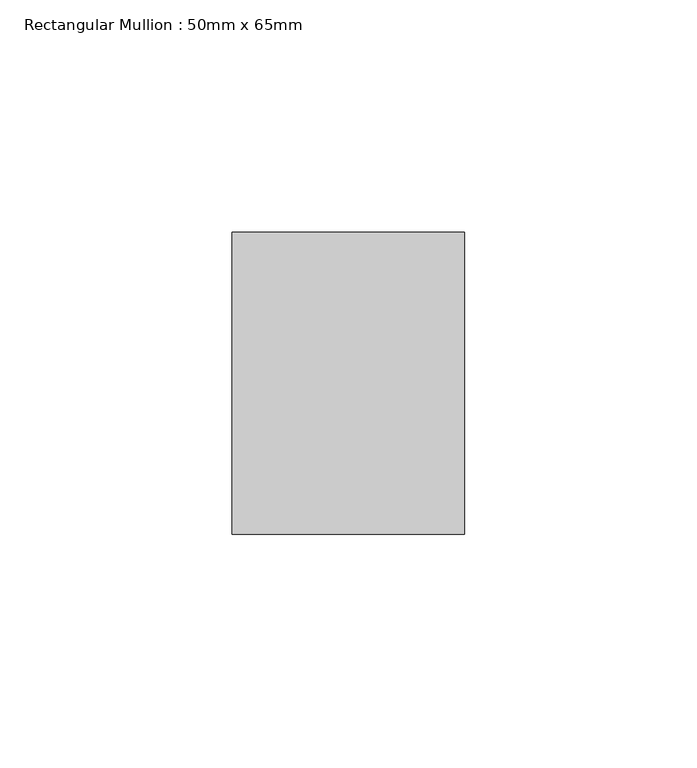
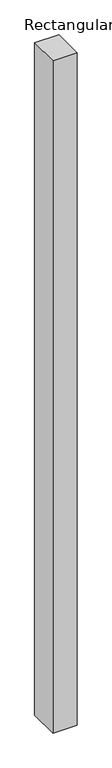
"""IFC4 building model written with IfcOpenShell, lengths in millimetres: member geometry, Rectangular Mullion : 50mm x 65mm."""

from ifc_helpers import new_model, si_unit, frame, origin, place, context, project, spatial, polyline, outline, extrude, source, transform, mapped, element, save


def rectangular_mullion_50mm_x_65mm_36b65bdf(model_context):
    return source(origin(), model_context, "Body", "SweptSolid", [
        extrude(outline(polyline([(25.0, 32.5), (25.0, -32.5), (-25.0, -32.5), (-25.0, 32.5), (25.0, 32.5)])), frame((0.0, 0.0, -1473.7160339), z_axis=(0.0, 0.0, 1.0), x_axis=(1.0, 0.0, 0.0)), (0.0, 0.0, 1.0), 1473.7160339),
    ])


if __name__ == "__main__":
    model = new_model("IFC4")
    model_context = context("Model", 3, world=origin())
    ifc_project = project(units=[si_unit("LENGTHUNIT", "METRE", prefix="MILLI")], contexts=[model_context])
    site = spatial("IfcSite", under=ifc_project)
    building = spatial("IfcBuilding", under=site)
    placement = place(None, origin())
    rectangular_mullion_50mm_x_65mm_shape = rectangular_mullion_50mm_x_65mm_36b65bdf(model_context)
    element("IfcMember", 1, ObjectType="Rectangular Mullion : 50mm x 65mm", at=placement, inside=building, context=model_context, shape_type="MappedRepresentation", body=[
        mapped(rectangular_mullion_50mm_x_65mm_shape, transform((0.0, 0.0, 0.0), x_axis=(1.0, 0.0, 0.0), y_axis=(0.0, 1.0, 0.0), z_axis=(0.0, 0.0, 1.0))),
    ])
    save(model, "model.ifc")
